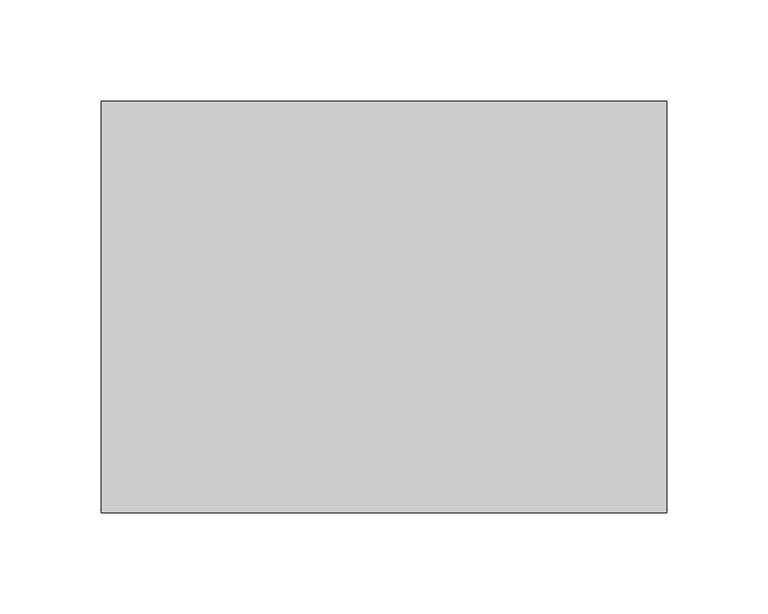
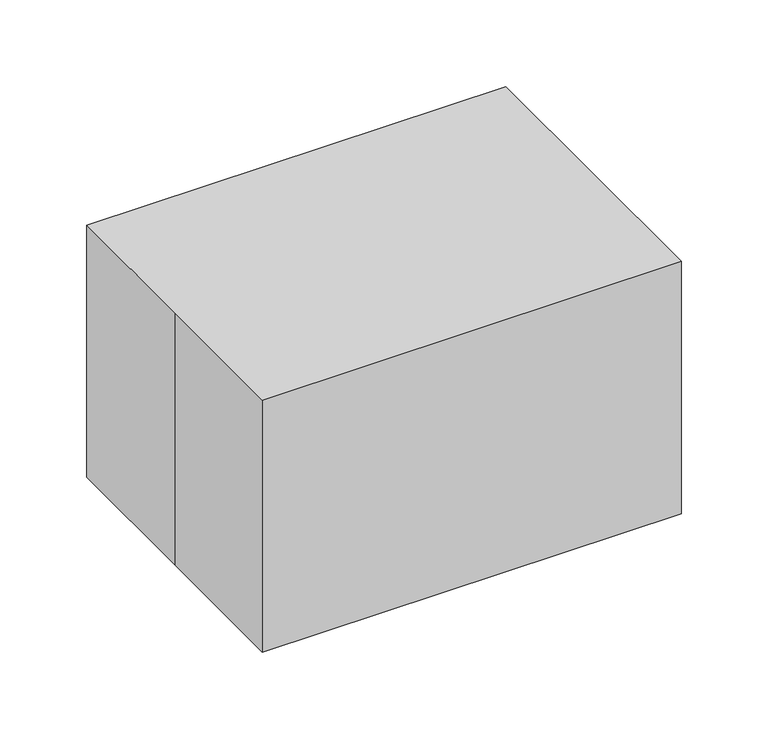
"""IFC4 building model written with IfcOpenShell, lengths in millimetres: proxy geometry."""

from ifc_helpers import new_model, si_unit, origin, origin_with_axes, place, context, project, spatial, polyline, outline, extrude, source, transform, mapped, element, save


def specialty_equipment_eef6e9dc(model_context):
    return source(origin(), model_context, "Body", "SweptSolid", [
        extrude(outline(polyline([(120.5400768, 85.3950537), (120.5400768, -86.0549463), (-127.1099232, -86.0549463), (-127.1099232, 85.3950537), (120.5400768, 85.3950537)])), origin_with_axes(), (0.0, 0.0, 1.0), 165.1),
        extrude(outline(polyline([(-139.7, 101.6), (139.7, 101.6), (139.7, -101.6), (-139.7, -101.6), (-139.7, 0.0), (-139.7, 101.6)])), origin_with_axes(), (0.0, 0.0, 1.0), 177.8),
    ])


if __name__ == "__main__":
    model = new_model("IFC4")
    model_context = context("Model", 3, world=origin())
    ifc_project = project(units=[si_unit("LENGTHUNIT", "METRE", prefix="MILLI")], contexts=[model_context])
    site = spatial("IfcSite", under=ifc_project)
    building = spatial("IfcBuilding", under=site)
    placement = place(None, origin())
    specialty_equipment_shape = specialty_equipment_eef6e9dc(model_context)
    element("IfcBuildingElementProxy", 1, Name="Specialty Equipment", at=placement, inside=building, context=model_context, shape_type="MappedRepresentation", body=[
        mapped(specialty_equipment_shape, transform((0.0, 0.0, 0.0), x_axis=(1.0, 0.0, 0.0), y_axis=(0.0, 1.0, 0.0), z_axis=(0.0, 0.0, 1.0))),
    ])
    save(model, "model.ifc")
